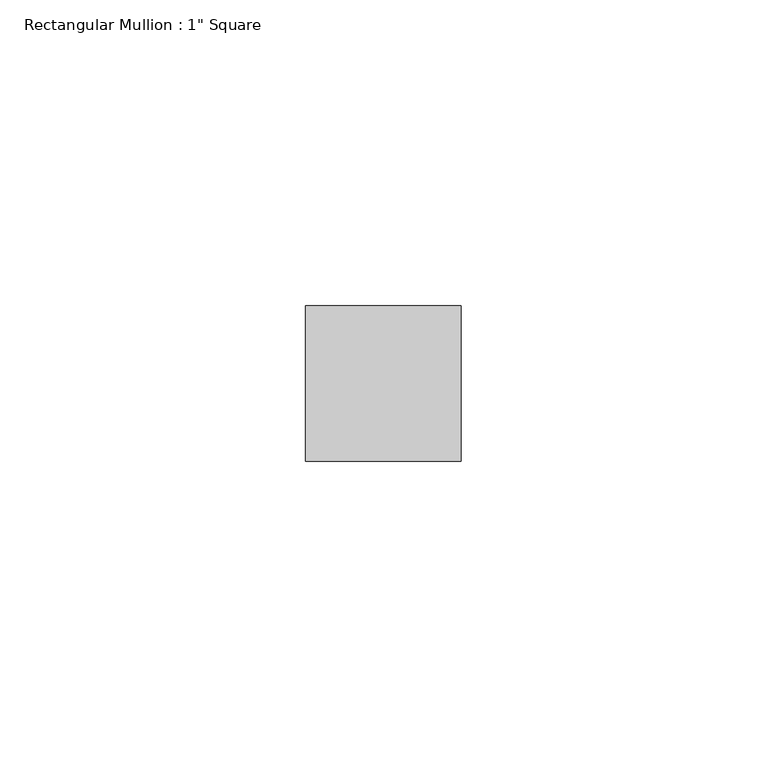
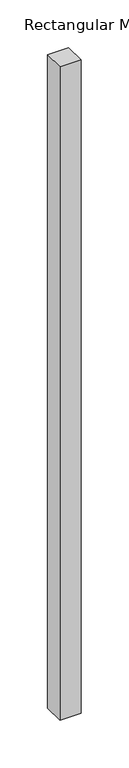
"""IFC4 building model written with IfcOpenShell, lengths in millimetres: member geometry."""

from ifc_helpers import new_model, si_unit, frame, origin, place, context, project, spatial, polyline, outline, extrude, source, transform, mapped, element, save


def member_5c74be70(model_context):
    return source(origin(), model_context, "Body", "SweptSolid", [
        extrude(outline(polyline([(12.7, 12.7), (12.7, -12.7), (-12.7, -12.7), (-12.7, 12.7), (12.7, 12.7)])), frame((0.0, 0.0, -832.579167), z_axis=(0.0, 0.0, 1.0), x_axis=(1.0, 0.0, 0.0)), (0.0, 0.0, 1.0), 832.579167),
    ])


if __name__ == "__main__":
    model = new_model("IFC4")
    model_context = context("Model", 3, world=origin())
    ifc_project = project(units=[si_unit("LENGTHUNIT", "METRE", prefix="MILLI")], contexts=[model_context])
    site = spatial("IfcSite", under=ifc_project)
    building = spatial("IfcBuilding", under=site)
    placement = place(None, origin())
    member_shape = member_5c74be70(model_context)
    element("IfcMember", 1, ObjectType="Rectangular Mullion : 1\" Square", at=placement, inside=building, context=model_context, shape_type="MappedRepresentation", body=[
        mapped(member_shape, transform((0.0, 0.0, 0.0), x_axis=(1.0, 0.0, 0.0), y_axis=(0.0, 1.0, 0.0), z_axis=(0.0, 0.0, 1.0))),
    ])
    save(model, "model.ifc")
